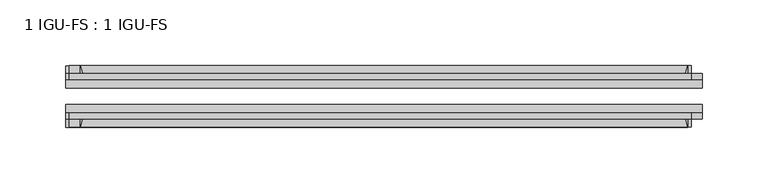
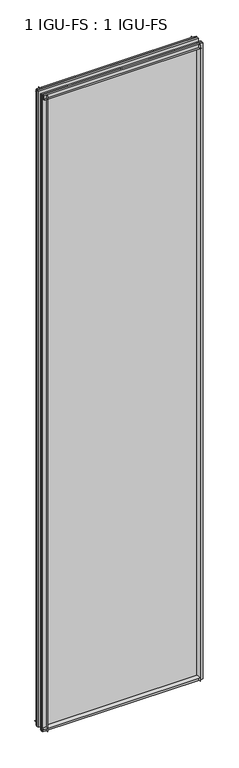
"""IFC4 building model written with IfcOpenShell, lengths in millimetres: plate geometry, 1 IGU-FS : 1 IGU-FS."""

from ifc_helpers import new_model, si_unit, point, frame, frame_2d, origin, place, context, project, spatial, polyline, circle_curve, trimmed, segment, composite_curve, outline, extrude, source, transform, mapped, element, save


def plate_1_igu_fs_1_igu_fs_d31c0840(model_context):
    return source(origin(), model_context, "Body", "SweptSolid", [
        extrude(outline(composite_curve([segment(polyline([(-40.084375, 3.8978906), (-40.084375, -10.3378), (-44.859575, -10.3378), (-44.859575, 0.0), (-50.8285753, 0.0)]), True, "CONTINUOUS"), segment(trimmed(circle_curve(frame_2d((-56.4601953, 32.279754)), 32.7673262), [point((-50.8285753, 0.0))], [point((-40.084375, 3.8978906))], True, "CARTESIAN"), True, "CONTINUOUS")], self_intersect=False)), frame((-242.3583333, 0.0, 0.0), z_axis=(1.0, 0.0, 0.0), x_axis=(0.0, 1.0, 0.0)), (0.0, 0.0, 1.0), 473.6041667),
        extrude(outline(composite_curve([segment(polyline([(-3.940175, 0.0), (-9.909175, 0.0), (-9.909175, -10.3378), (-14.684375, -10.3378), (-14.684375, 3.8978906)]), True, "CONTINUOUS"), segment(trimmed(circle_curve(frame_2d((1.6914453, 32.279754)), 32.7673262), [point((-14.684375, 3.8978906))], [point((-3.940175, 0.0))], True, "CARTESIAN"), True, "CONTINUOUS")], self_intersect=False)), frame((-242.3583333, 0.0, 0.0), z_axis=(1.0, 0.0, 0.0), x_axis=(0.0, 1.0, 0.0)), (0.0, 0.0, 1.0), 473.6041667),
        extrude(outline(composite_curve([segment(polyline([(-9.909175, 2020.8875), (-9.909175, 2009.775), (-3.9401753, 2009.775)]), True, "CONTINUOUS"), segment(trimmed(circle_curve(frame_2d((1.6914453, 1977.4952461)), 32.7673262), [point((-3.9401753, 2009.775))], [point((-14.684375, 2005.8771095))], True, "CARTESIAN"), True, "CONTINUOUS"), segment(polyline([(-14.684375, 2005.8771095), (-14.684375, 2020.8875), (-9.909175, 2020.8875)]), True, "CONTINUOUS")], self_intersect=False)), frame((-239.758572, 0.0, 0.0), z_axis=(1.0, 0.0, 0.0), x_axis=(0.0, 1.0, 0.0)), (0.0, 0.0, 1.0), 473.5503668),
        extrude(outline(composite_curve([segment(polyline([(-40.084375, 2020.8875), (-40.084375, 2005.8771095)]), True, "CONTINUOUS"), segment(trimmed(circle_curve(frame_2d((-56.4601953, 1977.4952461)), 32.7673262), [point((-40.084375, 2005.8771095))], [point((-50.8285747, 2009.775))], True, "CARTESIAN"), True, "CONTINUOUS"), segment(polyline([(-50.8285747, 2009.775), (-44.859575, 2009.775), (-44.859575, 2020.8875), (-40.084375, 2020.8875)]), True, "CONTINUOUS")], self_intersect=False)), frame((-239.758572, 0.0, 0.0), z_axis=(1.0, 0.0, 0.0), x_axis=(0.0, 1.0, 0.0)), (0.0, 0.0, 1.0), 473.5503668),
        extrude(outline(composite_curve([segment(polyline([(242.3583333, -9.909175), (242.3583333, -14.684375), (227.3479428, -14.684375)]), True, "CONTINUOUS"), segment(trimmed(circle_curve(frame_2d((198.9660794, 1.6914453)), 32.7673262), [point((227.3479428, -14.684375))], [point((231.2458333, -3.940175))], True, "CARTESIAN"), True, "CONTINUOUS"), segment(polyline([(231.2458333, -3.940175), (231.2458333, -9.909175), (242.3583333, -9.909175)]), True, "CONTINUOUS")], self_intersect=False)), frame((0.0, 0.0, -10.31875), z_axis=(0.0, 0.0, 1.0), x_axis=(1.0, 0.0, 0.0)), (0.0, 0.0, 1.0), 2031.20625),
        extrude(outline(composite_curve([segment(polyline([(242.3583333, -40.084375), (242.3583333, -44.859575), (231.2458333, -44.859575), (231.2458333, -50.828575)]), True, "CONTINUOUS"), segment(trimmed(circle_curve(frame_2d((198.9660794, -56.4601953)), 32.7673262), [point((231.2458333, -50.828575))], [point((227.3479428, -40.084375))], True, "CARTESIAN"), True, "CONTINUOUS"), segment(polyline([(227.3479428, -40.084375), (242.3583333, -40.084375)]), True, "CONTINUOUS")], self_intersect=False)), frame((0.0, 0.0, -10.31875), z_axis=(0.0, 0.0, 1.0), x_axis=(1.0, 0.0, 0.0)), (0.0, 0.0, 1.0), 2031.20625),
        extrude(outline(composite_curve([segment(polyline([(-242.3583333, -9.909175), (-231.2458333, -9.909175), (-231.2458333, -3.940175)]), True, "CONTINUOUS"), segment(trimmed(circle_curve(frame_2d((-198.9660794, 1.6914453)), 32.7673262), [point((-231.2458333, -3.940175))], [point((-227.3479428, -14.684375))], True, "CARTESIAN"), True, "CONTINUOUS"), segment(polyline([(-227.3479428, -14.684375), (-242.3583333, -14.684375), (-242.3583333, -9.909175)]), True, "CONTINUOUS")], self_intersect=False)), frame((0.0, 0.0, -10.31875), z_axis=(0.0, 0.0, 1.0), x_axis=(1.0, 0.0, 0.0)), (0.0, 0.0, 1.0), 2031.20625),
        extrude(outline(composite_curve([segment(polyline([(-242.3583333, -44.859575), (-242.3583333, -40.084375), (-227.3479428, -40.084375)]), True, "CONTINUOUS"), segment(trimmed(circle_curve(frame_2d((-198.9660794, -56.4601953)), 32.7673262), [point((-227.3479428, -40.084375))], [point((-231.2458333, -50.828575))], True, "CARTESIAN"), True, "CONTINUOUS"), segment(polyline([(-231.2458333, -50.828575), (-231.2458333, -44.859575), (-242.3583333, -44.859575)]), True, "CONTINUOUS")], self_intersect=False)), frame((0.0, 0.0, -10.31875), z_axis=(0.0, 0.0, 1.0), x_axis=(1.0, 0.0, 0.0)), (0.0, 0.0, 1.0), 2031.20625),
        extrude(outline(polyline([(-242.3583333, -40.084375), (-242.3583333, -33.785175), (242.3583333, -33.785175), (242.3583333, -40.084375), (-242.3583333, -40.084375)])), frame((0.0, 0.0, -10.31875), z_axis=(0.0, 0.0, 1.0), x_axis=(1.0, 0.0, 0.0)), (0.0, 0.0, 1.0), 2031.20625),
        extrude(outline(polyline([(242.3583333, -20.983575), (-242.3583333, -20.983575), (-242.3583333, -14.684375), (242.3583333, -14.684375), (242.3583333, -20.983575)])), frame((0.0, 0.0, -10.31875), z_axis=(0.0, 0.0, 1.0), x_axis=(1.0, 0.0, 0.0)), (0.0, 0.0, 1.0), 2031.20625),
    ])


if __name__ == "__main__":
    model = new_model("IFC4")
    model_context = context("Model", 3, world=origin())
    ifc_project = project(units=[si_unit("LENGTHUNIT", "METRE", prefix="MILLI")], contexts=[model_context])
    site = spatial("IfcSite", under=ifc_project)
    building = spatial("IfcBuilding", under=site)
    placement = place(None, origin())
    plate_1_igu_fs_1_igu_fs_shape = plate_1_igu_fs_1_igu_fs_d31c0840(model_context)
    element("IfcPlate", 1, ObjectType="1 IGU-FS : 1 IGU-FS", at=placement, inside=building, context=model_context, shape_type="MappedRepresentation", body=[
        mapped(plate_1_igu_fs_1_igu_fs_shape, transform((0.0, 0.0, 0.0), x_axis=(1.0, 0.0, 0.0), y_axis=(0.0, 1.0, 0.0), z_axis=(0.0, 0.0, 1.0))),
    ])
    save(model, "model.ifc")
